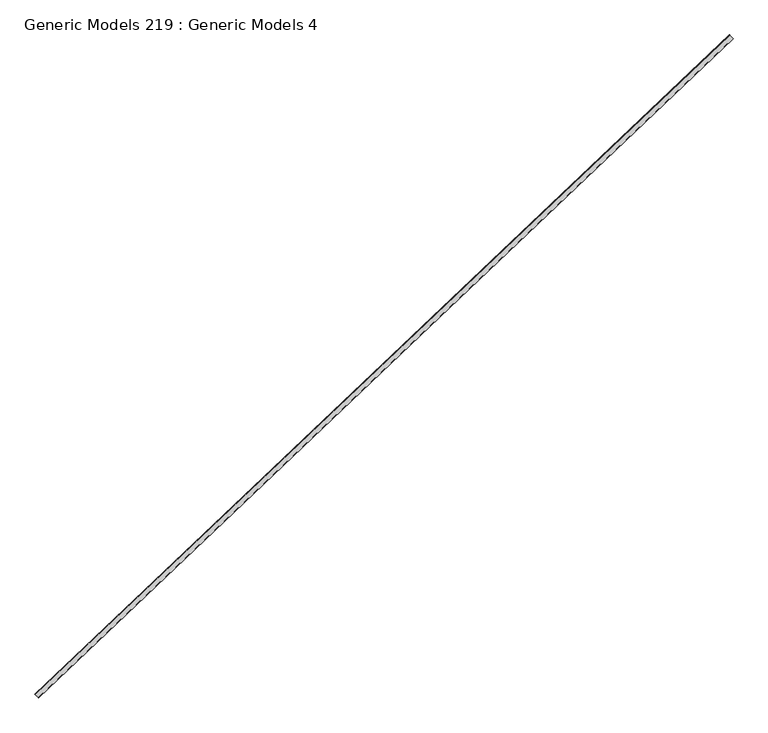
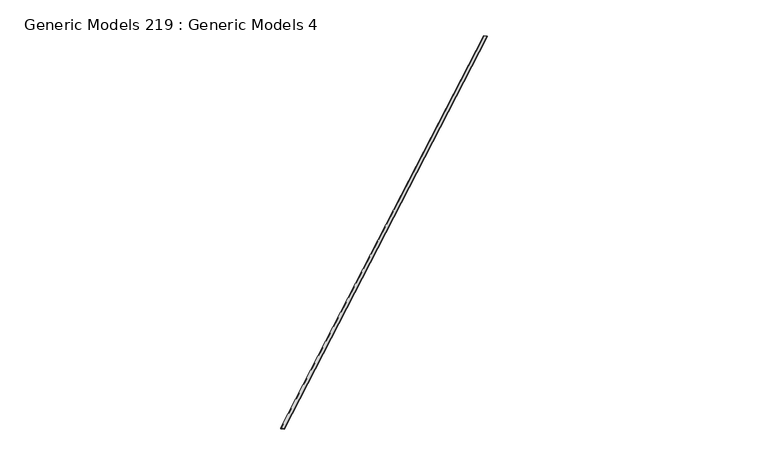
"""IFC4 building model written with IfcOpenShell, lengths in millimetres: proxy geometry, Generic Models 219 : Generic Models 4."""

import ifcopenshell
import ifcopenshell.guid

model = None  # the IFC model being written
_history = None  # IfcOwnerHistory: only IFC2X3 demands one
_inside = {}  # id of a spatial element -> (the spatial element, [elements in it])
_under = {}  # id of a project, library or spatial element -> (it, [spatial elements below it])
_declared = {}  # id of a project -> (the project, [libraries it declares])
_typed = {}  # id of a type object -> (the type object, [elements of that type])
_made_of = {}  # id of a material, layer set ... -> (it, [elements and type objects made of it])


def new_model(schema):
    """Start an empty IFC model of exactly this schema.

    Asked for "IFC4X3", IfcOpenShell would pick the latest addendum, in which some entities
    have other attributes; the version numbers below select the first issue.
    IFC2X3 requires an IfcOwnerHistory on every rooted entity: one is made here for all.
    """
    global model, _history
    if schema == "IFC4X3":
        model = ifcopenshell.file(schema_version=(4, 3, 0, 0))
    else:
        model = ifcopenshell.file(schema=schema)
    _inside.clear()
    _under.clear()
    _declared.clear()
    _typed.clear()
    _made_of.clear()
    _history = None
    if model.schema == "IFC2X3":
        org = make("IfcOrganization", Name="unknown")
        user = make(
            "IfcPersonAndOrganization",
            ThePerson=make("IfcPerson", FamilyName="unknown"),
            TheOrganization=org,
        )
        app = make(
            "IfcApplication",
            ApplicationDeveloper=org,
            Version="unknown",
            ApplicationFullName="unknown",
            ApplicationIdentifier="unknown",
        )
        _history = make(
            "IfcOwnerHistory",
            OwningUser=user,
            OwningApplication=app,
            ChangeAction="ADDED",
            CreationDate=0,
        )
    return model


def make(cls, **values):
    """One entity of the class cls with the attributes given. An attribute that is None is left unset."""
    return model.create_entity(
        cls, **{name: value for name, value in values.items() if value is not None}
    )


def rooted(cls, **values):
    """An entity with a GlobalId (a new one), such as an element, a storey or a relation."""
    return make(cls, GlobalId=ifcopenshell.guid.new(), OwnerHistory=_history, **values)


def si_unit(unit_type, name, prefix=None):
    """IfcSIUnit, for example si_unit("LENGTHUNIT", "METRE", prefix="MILLI")."""
    return make("IfcSIUnit", UnitType=unit_type, Prefix=prefix, Name=name)


def assignment(units):
    """IfcUnitAssignment: the units of a project."""
    return None if units is None else make("IfcUnitAssignment", Units=units)


def point(xyz):
    """IfcCartesianPoint."""
    return None if xyz is None else make("IfcCartesianPoint", Coordinates=xyz)


def direction(xyz):
    """IfcDirection."""
    return None if xyz is None else make("IfcDirection", DirectionRatios=xyz)


def frame(location, z_axis=None, x_axis=None):
    """IfcAxis2Placement3D, a coordinate frame: its origin and axes. An axis left out is left unset."""
    return make(
        "IfcAxis2Placement3D",
        Location=point(location),
        Axis=direction(z_axis),
        RefDirection=direction(x_axis),
    )


def frame_2d(location, x_axis=None):
    """IfcAxis2Placement2D, a coordinate frame in the plane: its origin and x axis."""
    return make(
        "IfcAxis2Placement2D", Location=point(location), RefDirection=direction(x_axis)
    )


def origin():
    """The frame at (0, 0, 0) with its axes left unset."""
    return frame((0.0, 0.0, 0.0))


def place(relative_to, where):
    """IfcLocalPlacement: puts the frame where relative to a parent placement (None: the world)."""
    return make(
        "IfcLocalPlacement", PlacementRelTo=relative_to, RelativePlacement=where
    )


def context(
    kind, dimensions, precision=None, world=None, true_north=None, identifier=None
):
    """IfcGeometricRepresentationContext, for example the 3D "Model" context."""
    return make(
        "IfcGeometricRepresentationContext",
        ContextIdentifier=identifier,
        ContextType=kind,
        CoordinateSpaceDimension=dimensions,
        Precision=precision,
        WorldCoordinateSystem=world,
        TrueNorth=true_north,
    )


def project(units=None, contexts=None):
    """IfcProject with its units and contexts."""
    return rooted(
        "IfcProject",
        Name="project",
        RepresentationContexts=contexts,
        UnitsInContext=assignment(units),
    )


def spatial(cls, under=None, at=None, **own):
    """A site, building, storey or space (cls), placed at a placement, below another one or the project."""
    s = rooted(cls, ObjectPlacement=at, **own)
    if under is not None:
        _under.setdefault(under.id(), (under, []))[1].append(s)
    return s


def polyline(points):
    """IfcPolyline through the points."""
    return make("IfcPolyline", Points=[point(p) for p in points])


def circle_curve(where, radius):
    """IfcCircle in the frame where."""
    return make("IfcCircle", Position=where, Radius=radius)


def trimmed(basis, trim1, trim2, sense, master):
    """IfcTrimmedCurve: the piece of a basis curve between two trims."""
    return make(
        "IfcTrimmedCurve",
        BasisCurve=basis,
        Trim1=trim1,
        Trim2=trim2,
        SenseAgreement=sense,
        MasterRepresentation=master,
    )


def segment(curve, same_sense, transition):
    """IfcCompositeCurveSegment."""
    return make(
        "IfcCompositeCurveSegment",
        Transition=transition,
        SameSense=same_sense,
        ParentCurve=curve,
    )


def composite_curve(segments, self_intersect=None):
    """IfcCompositeCurve: segments joined end to end."""
    return make("IfcCompositeCurve", Segments=segments, SelfIntersect=self_intersect)


def outline(outer, holes=None, kind="AREA"):
    """IfcArbitraryClosedProfileDef: a profile drawn as a closed curve; with holes, ...WithVoids."""
    if holes is None:
        return make("IfcArbitraryClosedProfileDef", ProfileType=kind, OuterCurve=outer)
    return make(
        "IfcArbitraryProfileDefWithVoids",
        ProfileType=kind,
        OuterCurve=outer,
        InnerCurves=holes,
    )


def extrude(swept, where, along, depth):
    """IfcExtrudedAreaSolid: the profile swept, set in the frame where, extruded along a direction by depth."""
    return make(
        "IfcExtrudedAreaSolid",
        SweptArea=swept,
        Position=where,
        ExtrudedDirection=direction(along),
        Depth=depth,
    )


def shape(context_of_items, identifier, shape_type, items):
    """IfcShapeRepresentation: the items that make up one representation, for example the "Body"."""
    return make(
        "IfcShapeRepresentation",
        ContextOfItems=context_of_items,
        RepresentationIdentifier=identifier,
        RepresentationType=shape_type,
        Items=items,
    )


def source(mapping_origin, context_of_items, identifier, shape_type, items):
    """IfcRepresentationMap: a shape defined once, which mapped items show again and again."""
    return make(
        "IfcRepresentationMap",
        MappingOrigin=mapping_origin,
        MappedRepresentation=shape(context_of_items, identifier, shape_type, items),
    )


def transform(
    local_origin,
    x_axis=None,
    y_axis=None,
    z_axis=None,
    scale=None,
    scale2=None,
    scale3=None,
    uniform=True,
):
    """IfcCartesianTransformationOperator3D, or its non-uniform kind. x_axis, y_axis, z_axis: its Axis1, 2, 3."""
    if uniform:
        return make(
            "IfcCartesianTransformationOperator3D",
            Axis1=direction(x_axis),
            Axis2=direction(y_axis),
            LocalOrigin=point(local_origin),
            Scale=scale,
            Axis3=direction(z_axis),
        )
    return make(
        "IfcCartesianTransformationOperator3DnonUniform",
        Axis1=direction(x_axis),
        Axis2=direction(y_axis),
        LocalOrigin=point(local_origin),
        Scale=scale,
        Axis3=direction(z_axis),
        Scale2=scale2,
        Scale3=scale3,
    )


def mapped(mapping_source, mapping_target):
    """IfcMappedItem: shows the shape of a source again, moved by a transform."""
    return make(
        "IfcMappedItem", MappingSource=mapping_source, MappingTarget=mapping_target
    )


def made_of(thing, what):
    """Note that an element or type object is made of a material, layer set ...; save() writes the relation."""
    if what is not None:
        _made_of.setdefault(what.id(), (what, []))[1].append(thing)
    return thing


def element(
    cls,
    number,
    at=None,
    inside=None,
    cuts=None,
    type_object=None,
    material=None,
    context=None,
    identifier="Body",
    shape_type=None,
    held_by="IfcProductDefinitionShape",
    body=None,
    shapes=None,
    **own,
):
    """One element of the class cls, such as IfcWall. Its Tag is "e" and its number.

    at: its placement. inside: the storey or other place that contains it. cuts: it is an
    opening in that element (IfcRelVoidsElement). A single representation is given by context,
    identifier, shape_type and body (its items); several are given by shapes. held_by: the class
    of the entity that holds the representations. save() writes the other relations.
    """
    e = rooted(cls, Tag="e%d" % number, ObjectPlacement=at, **own)
    if body is not None:
        shapes = [shape(context, identifier, shape_type, body)]
    if shapes is not None:
        e.Representation = make(held_by, Representations=shapes)
    if inside is not None:
        _inside.setdefault(inside.id(), (inside, []))[1].append(e)
    if cuts is not None:
        rooted(
            "IfcRelVoidsElement", RelatingBuildingElement=cuts, RelatedOpeningElement=e
        )
    if type_object is not None:
        _typed.setdefault(type_object.id(), (type_object, []))[1].append(e)
    return made_of(e, material)


def aggregate(whole, parts):
    """IfcRelAggregates: a whole, such as a stair, and the parts it consists of."""
    return rooted("IfcRelAggregates", RelatingObject=whole, RelatedObjects=parts)


def save(model, path):
    """Write the relations noted so far, then the file.

    IfcRelAggregates (storeys below a building ...), IfcRelContainedInSpatialStructure (elements
    in a storey), IfcRelDefinesByType, IfcRelAssociatesMaterial and IfcRelDeclares: one each for
    every whole, place, type object, material and project.
    """
    for whole, parts in _under.values():
        aggregate(whole, parts)
    for where, things in _inside.values():
        rooted(
            "IfcRelContainedInSpatialStructure",
            RelatedElements=things,
            RelatingStructure=where,
        )
    for kind, things in _typed.values():
        rooted("IfcRelDefinesByType", RelatedObjects=things, RelatingType=kind)
    for what, things in _made_of.values():
        rooted("IfcRelAssociatesMaterial", RelatedObjects=things, RelatingMaterial=what)
    for by, libraries in _declared.values():
        rooted("IfcRelDeclares", RelatingContext=by, RelatedDefinitions=libraries)
    model.write(path)


def generic_models_219_generic_models_4_3eadfdf8(model_context):
    return source(origin(), model_context, "Body", "SweptSolid", [
        extrude(outline(composite_curve([segment(polyline([(9.128125, 50.8), (9.128125, 0.0)]), True, "CONTINUOUS"), segment(trimmed(circle_curve(frame_2d((4.5640625, -4.4149557)), 6.35), [point((9.128125, 0.0))], [point((0.0, 0.0))], True, "CARTESIAN"), True, "CONTINUOUS"), segment(polyline([(0.0, 0.0), (0.0, 50.8)]), True, "CONTINUOUS"), segment(trimmed(circle_curve(frame_2d((4.5640625, 55.2149557)), 6.35), [point((0.0, 50.8))], [point((9.128125, 50.8))], True, "CARTESIAN"), True, "CONTINUOUS")], self_intersect=False)), frame((103178.651192, 41020.2840273, 17805.4), z_axis=(0.725374371012385, 0.6883545756936514, 0.0), x_axis=(0.0, 0.0, 1.0)), (0.0, 0.0, 1.0), 9239.25),
    ])


if __name__ == "__main__":
    model = new_model("IFC4")
    model_context = context("Model", 3, world=origin())
    ifc_project = project(units=[si_unit("LENGTHUNIT", "METRE", prefix="MILLI")], contexts=[model_context])
    site = spatial("IfcSite", under=ifc_project)
    building = spatial("IfcBuilding", under=site)
    placement = place(None, origin())
    generic_models_219_generic_models_4_shape = generic_models_219_generic_models_4_3eadfdf8(model_context)
    element("IfcBuildingElementProxy", 1, Name="Generic Models 219 : Generic Models 4", ObjectType="Generic Models 219 : Generic Models 4", at=placement, inside=building, context=model_context, shape_type="MappedRepresentation", body=[
        mapped(generic_models_219_generic_models_4_shape, transform((0.0, 0.0, 0.0), x_axis=(1.0, 0.0, 0.0), y_axis=(0.0, 1.0, 0.0), z_axis=(0.0, 0.0, 1.0))),
    ])
    save(model, "model.ifc")
